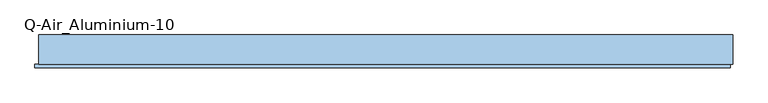
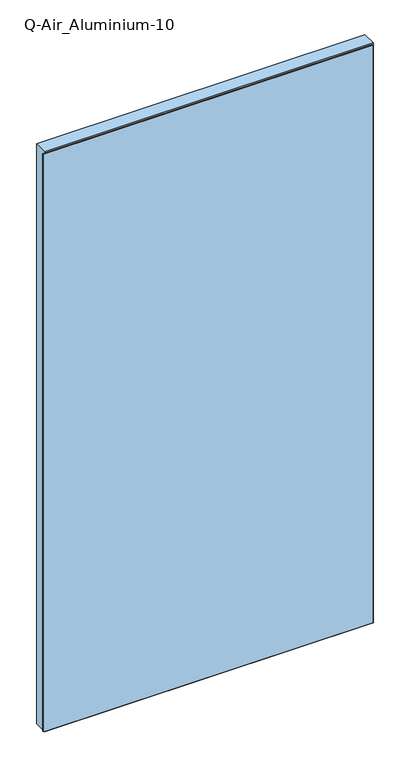
"""IFC4 building model written with IfcOpenShell, lengths in millimetres: window geometry, Q-Air_Aluminium-10."""

from ifc_helpers import new_model, si_unit, frame, origin, place, context, project, spatial, polyline, outline, extrude, source, transform, mapped, element, save


def q_air_aluminium_10_bad18395(model_context):
    return source(origin(), model_context, "Body", "SweptSolid", [
        extrude(outline(polyline([(5020.0, 1346.3815633), (5020.0, -1346.3815633), (0.0, -1346.3815633), (0.0, 1346.3815633), (5020.0, 1346.3815633)]), holes=[polyline([(4962.0, 1288.3815633), (58.0, 1288.3815633), (58.0, -1288.3815633), (4962.0, -1288.3815633), (4962.0, 1288.3815633)])]), frame((0.0, -114.5, 0.0), z_axis=(0.0, 1.0, 0.0), x_axis=(0.0, 0.0, 1.0)), (0.0, 0.0, 1.0), 114.5),
        extrude(outline(polyline([(1288.3815633, 0.0), (1288.3815633, -12.5), (-1288.3815633, -12.5), (-1288.3815633, 0.0), (1288.3815633, 0.0)])), frame((0.0, 0.0, 58.0), z_axis=(0.0, 0.0, 1.0), x_axis=(1.0, 0.0, 0.0)), (0.0, 0.0, 1.0), 4904.0),
        extrude(outline(polyline([(1336.3815633, -114.5), (1336.3815633, -127.0), (-1360.4815633, -127.0), (-1360.4815633, -114.5), (1336.3815633, -114.5)])), frame((0.0, 0.0, 10.0), z_axis=(0.0, 0.0, 1.0), x_axis=(1.0, 0.0, 0.0)), (0.0, 0.0, 1.0), 5000.0),
        extrude(outline(polyline([(5010.0, 1336.3815633), (5010.0, -1360.4815633), (10.0, -1360.4815633), (10.0, 1336.3815633), (5010.0, 1336.3815633)]), holes=[polyline([(4962.0, 1288.3815633), (58.0, 1288.3815633), (58.0, -1288.3815633), (4962.0, -1288.3815633), (4962.0, 1288.3815633)])]), frame((0.0, -118.5, 0.0), z_axis=(0.0, 1.0, 0.0), x_axis=(0.0, 0.0, 1.0)), (0.0, 0.0, 1.0), 4.0),
    ])


if __name__ == "__main__":
    model = new_model("IFC4")
    model_context = context("Model", 3, world=origin())
    ifc_project = project(units=[si_unit("LENGTHUNIT", "METRE", prefix="MILLI")], contexts=[model_context])
    site = spatial("IfcSite", under=ifc_project)
    building = spatial("IfcBuilding", under=site)
    placement = place(None, origin())
    q_air_aluminium_10_shape = q_air_aluminium_10_bad18395(model_context)
    element("IfcWindow", 1, ObjectType="Q-Air_Aluminium-10", at=placement, inside=building, context=model_context, shape_type="MappedRepresentation", body=[
        mapped(q_air_aluminium_10_shape, transform((0.0, 0.0, 0.0), x_axis=(1.0, 0.0, 0.0), y_axis=(0.0, 1.0, 0.0), z_axis=(0.0, 0.0, 1.0))),
    ])
    save(model, "model.ifc")
